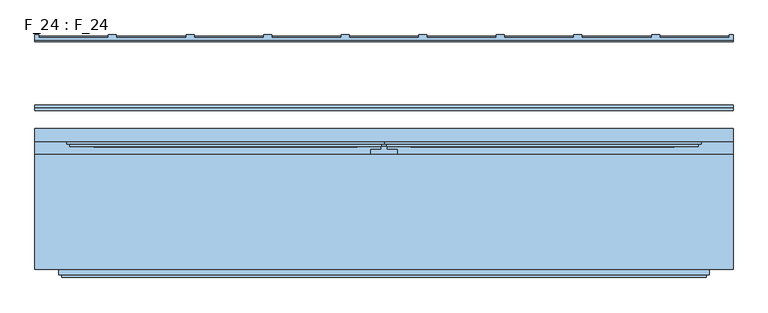
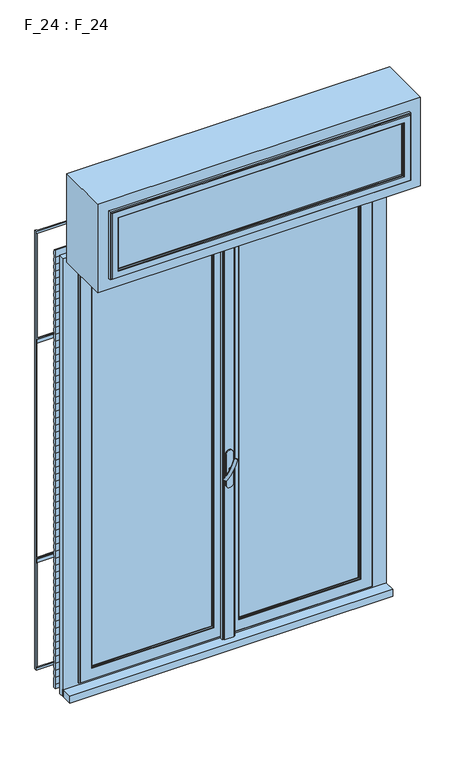
"""IFC4 building model written with IfcOpenShell, lengths in millimetres: window geometry, F_24 : F_24."""

from ifc_helpers import new_model, si_unit, point, frame, frame_2d, origin, place, context, project, spatial, polyline, circle_curve, ellipse_curve, trimmed, segment, composite_curve, outline, extrude, faceted_brep, source, transform, mapped, element, save
from ifc_brep_helpers import plane_surface, revolved_surface, advanced_brep


def f_24_f_24_b7505b68(model_context):
    return source(origin(), model_context, "Body", "SolidModel", [
        faceted_brep([(575.0, -271.0, 2770.0), (575.0, -271.0, 2990.0), (-575.0, -271.0, 2990.0), (-575.0, -271.0, 2770.0), (610.0, -266.0, 3025.0), (610.0, -266.0, 2735.0), (-610.0, -266.0, 2735.0), (-610.0, -266.0, 3025.0), (610.0, -276.0, 3025.0), (610.0, -276.0, 2735.0), (575.0, -276.0, 2770.0), (575.0, -276.0, 2990.0), (580.0, -281.0, 2995.0), (580.0, -276.0, 2995.0), (580.0, -276.0, 2765.0), (580.0, -281.0, 2765.0), (605.0, -276.0, 3020.0), (605.0, -281.0, 3020.0), (605.0, -281.0, 2740.0), (605.0, -276.0, 2740.0), (-610.0, -276.0, 2735.0), (-575.0, -276.0, 2770.0), (-580.0, -276.0, 2765.0), (-580.0, -281.0, 2765.0), (-605.0, -281.0, 2740.0), (-605.0, -276.0, 2740.0), (-610.0, -276.0, 3025.0), (-575.0, -276.0, 2990.0), (-580.0, -276.0, 2995.0), (-580.0, -281.0, 2995.0), (-605.0, -281.0, 3020.0), (-605.0, -276.0, 3020.0)], [[[0, 1, 2, 3]], [[4, 5, 6, 7]], [[4, 8, 9, 5]], [[10, 11, 1, 0]], [[12, 13, 14, 15]], [[16, 17, 18, 19]], [[5, 9, 20, 6]], [[21, 10, 0, 3]], [[15, 14, 22, 23]], [[19, 18, 24, 25]], [[6, 20, 26, 7]], [[27, 21, 3, 2]], [[23, 22, 28, 29]], [[25, 24, 30, 31]], [[8, 4, 7, 26]], [[11, 27, 2, 1]], [[14, 13, 28, 22], [11, 10, 21, 27]], [[13, 12, 29, 28]], [[18, 17, 30, 24], [12, 15, 23, 29]], [[17, 16, 31, 30]], [[9, 8, 26, 20], [16, 19, 25, 31]]]),
        extrude(outline(polyline([(655.0, -266.0), (-655.0, -266.0), (-655.0, -50.0), (655.0, -50.0), (655.0, -266.0)])), frame((0.0, 0.0, 2690.0), z_axis=(0.0, 0.0, 1.0), x_axis=(1.0, 0.0, 0.0)), (0.0, 0.0, 1.0), 380.0),
        advanced_brep(
        [(-28.5497704, -65.2287724, 1548.0503471), (-14.693364, -65.2287724, 1540.0503471), (14.693364, -65.2287724, 1622.9496529), (28.5497704, -65.2287724, 1614.9496529)],
        [
            (0, 1, ellipse_curve(frame((-21.6215672, -65.2287724, 1544.0503471), z_axis=(-0.46984631039295827, 0.3420201433256777, -0.8137976813493676), x_axis=(0.8660254037844349, 0.0, -0.5000000000000066)), 8.0, 3.5)),
            (1, 0, ellipse_curve(frame((-21.6215672, -65.2287724, 1544.0503471), z_axis=(-0.46984631039295827, 0.3420201433256777, -0.8137976813493676), x_axis=(0.8660254037844349, 0.0, -0.5000000000000066)), 8.0, 3.5)),
            (2, 3, ellipse_curve(frame((21.6215672, -65.2287724, 1618.9496529), z_axis=(0.46984631039296154, 0.3420201433256599, 0.8137976813493732), x_axis=(0.8660254037844355, 0.0, -0.5000000000000056)), 8.0, 3.5)),
            (3, 2, ellipse_curve(frame((21.6215672, -65.2287724, 1618.9496529), z_axis=(0.46984631039296154, 0.3420201433256599, 0.8137976813493732), x_axis=(0.8660254037844355, 0.0, -0.5000000000000056)), 8.0, 3.5)),
            (3, 1, circle_curve(frame((6.9282032, 53.580763, 1577.5), z_axis=(0.8660254037844353, 0.0, -0.500000000000006), x_axis=(-0.1710100716628409, -0.9396926207859051, -0.29619813272603046)), 126.4344667)),
            (0, 2, circle_curve(frame((-6.9282032, 53.580763, 1585.5), z_axis=(-0.8660254037844353, 0.0, 0.500000000000006), x_axis=(-0.1710100716628409, -0.9396926207859051, -0.29619813272603046)), 126.4344667)),
        ],
        [
            plane_surface(frame((40.0926994, -62.5471681, 1509.5466142), z_axis=(-0.4698463103929582, 0.34202014332567776, -0.8137976813493677), x_axis=(-0.8660254037844352, 0.0, 0.500000000000006))),
            plane_surface(frame((82.3598097, -62.5471681, 1582.7553967), z_axis=(0.4698463103929615, 0.34202014332565983, 0.8137976813493734), x_axis=(-0.8660254037844352, 0.0, 0.500000000000006))),
            revolved_surface(trimmed(ellipse_curve(frame((-21.6215672, -65.2287724, 1544.0503471), z_axis=(-0.46984631039295827, 0.3420201433256777, -0.8137976813493676), x_axis=(0.8660254037844349, 0.0, -0.5000000000000066)), 8.0, 3.5), [point((-28.5497704, -65.2287724, 1548.0503471))], [point((-14.693364, -65.2287724, 1540.0503471))], True, "CARTESIAN"), (61.2262546, 53.580763, 1546.1510055), (-0.8660254037844353, 0.0, 0.500000000000006)),
            revolved_surface(trimmed(ellipse_curve(frame((-21.6215672, -65.2287724, 1544.0503471), z_axis=(-0.46984631039295827, 0.3420201433256777, -0.8137976813493676), x_axis=(0.8660254037844349, 0.0, -0.5000000000000066)), 8.0, 3.5), [point((-14.693364, -65.2287724, 1540.0503471))], [point((-28.5497704, -65.2287724, 1548.0503471))], True, "CARTESIAN"), (61.2262546, 53.580763, 1546.1510055), (-0.8660254037844353, 0.0, 0.500000000000006)),
        ],
        [
            (0, [[1, 2]]),
            (1, [[3, 4]]),
            (2, [[5, -1, 6, -4]]),
            (3, [[-6, -2, -5, -3]]),
        ],
    ),
        extrude(outline(composite_curve([segment(trimmed(circle_curve(frame_2d((1581.5, 0.0)), 3.5), [point((1581.5, -3.5))], [point((1581.5, 3.5))], False, "CARTESIAN"), True, "CONTINUOUS"), segment(trimmed(circle_curve(frame_2d((1581.5, 0.0)), 3.5), [point((1581.5, 3.5))], [point((1581.5, -3.5))], False, "CARTESIAN"), True, "CONTINUOUS")], self_intersect=False)), frame((0.0, -70.0, 0.0), z_axis=(0.0, 1.0, 0.0), x_axis=(0.0, 0.0, 1.0)), (0.0, 0.0, 1.0), 10.0),
        extrude(outline(composite_curve([segment(polyline([(1645.8020109, -15.0), (1515.8020109, -15.0)]), True, "CONTINUOUS"), segment(trimmed(circle_curve(frame_2d((1515.8020109, 0.0)), 15.0), [point((1515.8020109, -15.0))], [point((1515.8020109, 15.0))], False, "CARTESIAN"), True, "CONTINUOUS"), segment(polyline([(1515.8020109, 15.0), (1645.8020109, 15.0)]), True, "CONTINUOUS"), segment(trimmed(circle_curve(frame_2d((1645.8020109, 0.0)), 15.0), [point((1645.8020109, 15.0))], [point((1645.8020109, -15.0))], False, "CARTESIAN"), True, "CONTINUOUS")], self_intersect=False)), frame((0.0, -60.0, 0.0), z_axis=(0.0, 1.0, 0.0), x_axis=(0.0, 0.0, 1.0)), (0.0, 0.0, 1.0), 5.0),
        extrude(outline(polyline([(655.0, -70.0), (-655.0, -70.0), (-655.0, -20.0), (655.0, -20.0), (655.0, -70.0)])), frame((0.0, 0.0, 810.0), z_axis=(0.0, 0.0, 1.0), x_axis=(1.0, 0.0, 0.0)), (0.0, 0.0, 1.0), 30.0),
        extrude(outline(composite_curve([segment(polyline([(33.1028753, 2690.0), (38.1028753, 2690.0)]), True, "CONTINUOUS"), segment(trimmed(circle_curve(frame_2d((18.319288, 2675.0)), 24.8272094), [point((38.1028753, 2690.0))], [point((38.1028753, 2660.0))], False, "CARTESIAN"), True, "CONTINUOUS"), segment(trimmed(circle_curve(frame_2d((18.319288, 2645.0)), 24.8272094), [point((38.1028753, 2660.0))], [point((38.1028753, 2630.0))], False, "CARTESIAN"), True, "CONTINUOUS"), segment(trimmed(circle_curve(frame_2d((18.319288, 2615.0)), 24.8272094), [point((38.1028753, 2630.0))], [point((38.1028753, 2600.0))], False, "CARTESIAN"), True, "CONTINUOUS"), segment(trimmed(circle_curve(frame_2d((18.319288, 2585.0)), 24.8272094), [point((38.1028753, 2600.0))], [point((38.1028753, 2570.0))], False, "CARTESIAN"), True, "CONTINUOUS"), segment(trimmed(circle_curve(frame_2d((18.319288, 2555.0)), 24.8272094), [point((38.1028753, 2570.0))], [point((38.1028753, 2540.0))], False, "CARTESIAN"), True, "CONTINUOUS"), segment(trimmed(circle_curve(frame_2d((18.319288, 2525.0)), 24.8272094), [point((38.1028753, 2540.0))], [point((38.1028753, 2510.0))], False, "CARTESIAN"), True, "CONTINUOUS"), segment(trimmed(circle_curve(frame_2d((18.319288, 2495.0)), 24.8272094), [point((38.1028753, 2510.0))], [point((38.1028753, 2480.0))], False, "CARTESIAN"), True, "CONTINUOUS"), segment(trimmed(circle_curve(frame_2d((18.319288, 2465.0)), 24.8272094), [point((38.1028753, 2480.0))], [point((38.1028753, 2450.0))], False, "CARTESIAN"), True, "CONTINUOUS"), segment(trimmed(circle_curve(frame_2d((18.319288, 2435.0)), 24.8272094), [point((38.1028753, 2450.0))], [point((38.1028753, 2420.0))], False, "CARTESIAN"), True, "CONTINUOUS"), segment(trimmed(circle_curve(frame_2d((18.319288, 2405.0)), 24.8272094), [point((38.1028753, 2420.0))], [point((38.1028753, 2390.0))], False, "CARTESIAN"), True, "CONTINUOUS"), segment(trimmed(circle_curve(frame_2d((18.319288, 2375.0)), 24.8272094), [point((38.1028753, 2390.0))], [point((38.1028753, 2360.0))], False, "CARTESIAN"), True, "CONTINUOUS"), segment(trimmed(circle_curve(frame_2d((18.319288, 2345.0)), 24.8272094), [point((38.1028753, 2360.0))], [point((38.1028753, 2330.0))], False, "CARTESIAN"), True, "CONTINUOUS"), segment(trimmed(circle_curve(frame_2d((18.319288, 2315.0)), 24.8272094), [point((38.1028753, 2330.0))], [point((38.1028753, 2300.0))], False, "CARTESIAN"), True, "CONTINUOUS"), segment(trimmed(circle_curve(frame_2d((18.319288, 2285.0)), 24.8272094), [point((38.1028753, 2300.0))], [point((38.1028753, 2270.0))], False, "CARTESIAN"), True, "CONTINUOUS"), segment(trimmed(circle_curve(frame_2d((18.319288, 2255.0)), 24.8272094), [point((38.1028753, 2270.0))], [point((38.1028753, 2240.0))], False, "CARTESIAN"), True, "CONTINUOUS"), segment(trimmed(circle_curve(frame_2d((18.319288, 2225.0)), 24.8272094), [point((38.1028753, 2240.0))], [point((38.1028753, 2210.0))], False, "CARTESIAN"), True, "CONTINUOUS"), segment(trimmed(circle_curve(frame_2d((18.319288, 2195.0)), 24.8272094), [point((38.1028753, 2210.0))], [point((38.1028753, 2180.0))], False, "CARTESIAN"), True, "CONTINUOUS"), segment(trimmed(circle_curve(frame_2d((18.319288, 2165.0)), 24.8272094), [point((38.1028753, 2180.0))], [point((38.1028753, 2150.0))], False, "CARTESIAN"), True, "CONTINUOUS"), segment(trimmed(circle_curve(frame_2d((18.319288, 2135.0)), 24.8272094), [point((38.1028753, 2150.0))], [point((38.1028753, 2120.0))], False, "CARTESIAN"), True, "CONTINUOUS"), segment(trimmed(circle_curve(frame_2d((18.319288, 2105.0)), 24.8272094), [point((38.1028753, 2120.0))], [point((38.1028753, 2090.0))], False, "CARTESIAN"), True, "CONTINUOUS"), segment(trimmed(circle_curve(frame_2d((18.319288, 2075.0)), 24.8272094), [point((38.1028753, 2090.0))], [point((38.1028753, 2060.0))], False, "CARTESIAN"), True, "CONTINUOUS"), segment(trimmed(circle_curve(frame_2d((18.319288, 2045.0)), 24.8272094), [point((38.1028753, 2060.0))], [point((38.1028753, 2030.0))], False, "CARTESIAN"), True, "CONTINUOUS"), segment(trimmed(circle_curve(frame_2d((18.319288, 2015.0)), 24.8272094), [point((38.1028753, 2030.0))], [point((38.1028753, 2000.0))], False, "CARTESIAN"), True, "CONTINUOUS"), segment(trimmed(circle_curve(frame_2d((18.319288, 1985.0)), 24.8272094), [point((38.1028753, 2000.0))], [point((38.1028753, 1970.0))], False, "CARTESIAN"), True, "CONTINUOUS"), segment(trimmed(circle_curve(frame_2d((18.319288, 1955.0)), 24.8272094), [point((38.1028753, 1970.0))], [point((38.1028753, 1940.0))], False, "CARTESIAN"), True, "CONTINUOUS"), segment(trimmed(circle_curve(frame_2d((18.319288, 1925.0)), 24.8272094), [point((38.1028753, 1940.0))], [point((38.1028753, 1910.0))], False, "CARTESIAN"), True, "CONTINUOUS"), segment(trimmed(circle_curve(frame_2d((18.319288, 1895.0)), 24.8272094), [point((38.1028753, 1910.0))], [point((38.1028753, 1880.0))], False, "CARTESIAN"), True, "CONTINUOUS"), segment(trimmed(circle_curve(frame_2d((18.319288, 1865.0)), 24.8272094), [point((38.1028753, 1880.0))], [point((38.1028753, 1850.0))], False, "CARTESIAN"), True, "CONTINUOUS"), segment(trimmed(circle_curve(frame_2d((18.319288, 1835.0)), 24.8272094), [point((38.1028753, 1850.0))], [point((38.1028753, 1820.0))], False, "CARTESIAN"), True, "CONTINUOUS"), segment(trimmed(circle_curve(frame_2d((18.319288, 1805.0)), 24.8272094), [point((38.1028753, 1820.0))], [point((38.1028753, 1790.0))], False, "CARTESIAN"), True, "CONTINUOUS"), segment(trimmed(circle_curve(frame_2d((18.319288, 1775.0)), 24.8272094), [point((38.1028753, 1790.0))], [point((38.1028753, 1760.0))], False, "CARTESIAN"), True, "CONTINUOUS"), segment(trimmed(circle_curve(frame_2d((18.319288, 1745.0)), 24.8272094), [point((38.1028753, 1760.0))], [point((38.1028753, 1730.0))], False, "CARTESIAN"), True, "CONTINUOUS"), segment(trimmed(circle_curve(frame_2d((18.319288, 1715.0)), 24.8272094), [point((38.1028753, 1730.0))], [point((38.1028753, 1700.0))], False, "CARTESIAN"), True, "CONTINUOUS"), segment(trimmed(circle_curve(frame_2d((18.319288, 1685.0)), 24.8272094), [point((38.1028753, 1700.0))], [point((38.1028753, 1670.0))], False, "CARTESIAN"), True, "CONTINUOUS"), segment(trimmed(circle_curve(frame_2d((18.319288, 1655.0)), 24.8272094), [point((38.1028753, 1670.0))], [point((38.1028753, 1640.0))], False, "CARTESIAN"), True, "CONTINUOUS"), segment(trimmed(circle_curve(frame_2d((18.319288, 1625.0)), 24.8272094), [point((38.1028753, 1640.0))], [point((38.1028753, 1610.0))], False, "CARTESIAN"), True, "CONTINUOUS"), segment(trimmed(circle_curve(frame_2d((18.319288, 1595.0)), 24.8272094), [point((38.1028753, 1610.0))], [point((38.1028753, 1580.0))], False, "CARTESIAN"), True, "CONTINUOUS"), segment(trimmed(circle_curve(frame_2d((18.319288, 1565.0)), 24.8272094), [point((38.1028753, 1580.0))], [point((38.1028753, 1550.0))], False, "CARTESIAN"), True, "CONTINUOUS"), segment(trimmed(circle_curve(frame_2d((18.319288, 1535.0)), 24.8272094), [point((38.1028753, 1550.0))], [point((38.1028753, 1520.0))], False, "CARTESIAN"), True, "CONTINUOUS"), segment(trimmed(circle_curve(frame_2d((18.319288, 1505.0)), 24.8272094), [point((38.1028753, 1520.0))], [point((38.1028753, 1490.0))], False, "CARTESIAN"), True, "CONTINUOUS"), segment(trimmed(circle_curve(frame_2d((18.319288, 1475.0)), 24.8272094), [point((38.1028753, 1490.0))], [point((38.1028753, 1460.0))], False, "CARTESIAN"), True, "CONTINUOUS"), segment(trimmed(circle_curve(frame_2d((18.319288, 1445.0)), 24.8272094), [point((38.1028753, 1460.0))], [point((38.1028753, 1430.0))], False, "CARTESIAN"), True, "CONTINUOUS"), segment(trimmed(circle_curve(frame_2d((18.319288, 1415.0)), 24.8272094), [point((38.1028753, 1430.0))], [point((38.1028753, 1400.0))], False, "CARTESIAN"), True, "CONTINUOUS"), segment(trimmed(circle_curve(frame_2d((18.319288, 1385.0)), 24.8272094), [point((38.1028753, 1400.0))], [point((38.1028753, 1370.0))], False, "CARTESIAN"), True, "CONTINUOUS"), segment(trimmed(circle_curve(frame_2d((18.319288, 1355.0)), 24.8272094), [point((38.1028753, 1370.0))], [point((38.1028753, 1340.0))], False, "CARTESIAN"), True, "CONTINUOUS"), segment(trimmed(circle_curve(frame_2d((18.319288, 1325.0)), 24.8272094), [point((38.1028753, 1340.0))], [point((38.1028753, 1310.0))], False, "CARTESIAN"), True, "CONTINUOUS"), segment(trimmed(circle_curve(frame_2d((18.319288, 1295.0)), 24.8272094), [point((38.1028753, 1310.0))], [point((38.1028753, 1280.0))], False, "CARTESIAN"), True, "CONTINUOUS"), segment(trimmed(circle_curve(frame_2d((18.319288, 1265.0)), 24.8272094), [point((38.1028753, 1280.0))], [point((38.1028753, 1250.0))], False, "CARTESIAN"), True, "CONTINUOUS"), segment(trimmed(circle_curve(frame_2d((18.319288, 1235.0)), 24.8272094), [point((38.1028753, 1250.0))], [point((38.1028753, 1220.0))], False, "CARTESIAN"), True, "CONTINUOUS"), segment(trimmed(circle_curve(frame_2d((18.319288, 1205.0)), 24.8272094), [point((38.1028753, 1220.0))], [point((38.1028753, 1190.0))], False, "CARTESIAN"), True, "CONTINUOUS"), segment(trimmed(circle_curve(frame_2d((18.319288, 1175.0)), 24.8272094), [point((38.1028753, 1190.0))], [point((38.1028753, 1160.0))], False, "CARTESIAN"), True, "CONTINUOUS"), segment(trimmed(circle_curve(frame_2d((18.319288, 1145.0)), 24.8272094), [point((38.1028753, 1160.0))], [point((38.1028753, 1130.0))], False, "CARTESIAN"), True, "CONTINUOUS"), segment(trimmed(circle_curve(frame_2d((18.319288, 1115.0)), 24.8272094), [point((38.1028753, 1130.0))], [point((38.1028753, 1100.0))], False, "CARTESIAN"), True, "CONTINUOUS"), segment(trimmed(circle_curve(frame_2d((18.319288, 1085.0)), 24.8272094), [point((38.1028753, 1100.0))], [point((38.1028753, 1070.0))], False, "CARTESIAN"), True, "CONTINUOUS"), segment(trimmed(circle_curve(frame_2d((18.319288, 1055.0)), 24.8272094), [point((38.1028753, 1070.0))], [point((38.1028753, 1040.0))], False, "CARTESIAN"), True, "CONTINUOUS"), segment(trimmed(circle_curve(frame_2d((18.319288, 1025.0)), 24.8272094), [point((38.1028753, 1040.0))], [point((38.1028753, 1010.0))], False, "CARTESIAN"), True, "CONTINUOUS"), segment(trimmed(circle_curve(frame_2d((18.319288, 995.0)), 24.8272094), [point((38.1028753, 1010.0))], [point((38.1028753, 980.0))], False, "CARTESIAN"), True, "CONTINUOUS"), segment(trimmed(circle_curve(frame_2d((18.319288, 965.0)), 24.8272094), [point((38.1028753, 980.0))], [point((38.1028753, 950.0))], False, "CARTESIAN"), True, "CONTINUOUS"), segment(trimmed(circle_curve(frame_2d((18.319288, 935.0)), 24.8272094), [point((38.1028753, 950.0))], [point((38.1028753, 920.0))], False, "CARTESIAN"), True, "CONTINUOUS"), segment(trimmed(circle_curve(frame_2d((18.319288, 905.0)), 24.8272094), [point((38.1028753, 920.0))], [point((38.1028753, 890.0))], False, "CARTESIAN"), True, "CONTINUOUS"), segment(trimmed(circle_curve(frame_2d((18.319288, 875.0)), 24.8272094), [point((38.1028753, 890.0))], [point((38.1028753, 860.0))], False, "CARTESIAN"), True, "CONTINUOUS"), segment(trimmed(circle_curve(frame_2d((18.319288, 845.0)), 24.8272094), [point((38.1028753, 860.0))], [point((43.1028753, 846.4710973))], False, "CARTESIAN"), True, "CONTINUOUS"), segment(polyline([(43.1028753, 846.4710973), (43.1028753, 810.0), (33.1028753, 810.0), (33.1028753, 830.0), (33.1028753, 860.0), (33.1028753, 890.0), (33.1028753, 920.0), (33.1028753, 950.0), (33.1028753, 980.0), (33.1028753, 1010.0), (33.1028753, 1040.0), (33.1028753, 1070.0), (33.1028753, 1100.0), (33.1028753, 1130.0), (33.1028753, 1160.0), (33.1028753, 1190.0), (33.1028753, 1220.0), (33.1028753, 1250.0), (33.1028753, 1280.0), (33.1028753, 1310.0), (33.1028753, 1340.0), (33.1028753, 1370.0), (33.1028753, 1400.0), (33.1028753, 1430.0), (33.1028753, 1460.0), (33.1028753, 1490.0), (33.1028753, 1520.0), (33.1028753, 1550.0), (33.1028753, 1580.0), (33.1028753, 1610.0), (33.1028753, 1640.0), (33.1028753, 1670.0), (33.1028753, 1700.0), (33.1028753, 1730.0), (33.1028753, 1760.0), (33.1028753, 1790.0), (33.1028753, 1820.0), (33.1028753, 1850.0), (33.1028753, 1880.0), (33.1028753, 1910.0), (33.1028753, 1940.0), (33.1028753, 1970.0), (33.1028753, 2000.0), (33.1028753, 2030.0), (33.1028753, 2060.0), (33.1028753, 2090.0), (33.1028753, 2120.0), (33.1028753, 2150.0), (33.1028753, 2180.0), (33.1028753, 2210.0), (33.1028753, 2240.0), (33.1028753, 2270.0), (33.1028753, 2300.0), (33.1028753, 2330.0), (33.1028753, 2360.0), (33.1028753, 2390.0), (33.1028753, 2420.0), (33.1028753, 2450.0), (33.1028753, 2480.0), (33.1028753, 2510.0), (33.1028753, 2540.0), (33.1028753, 2570.0), (33.1028753, 2600.0), (33.1028753, 2630.0), (33.1028753, 2660.0), (33.1028753, 2690.0)]), True, "CONTINUOUS")], self_intersect=False)), frame((-655.0, 0.0, 0.0), z_axis=(1.0, 0.0, 0.0), x_axis=(0.0, 1.0, 0.0)), (0.0, 0.0, 1.0), 1310.0),
        faceted_brep([(-655.0, 162.5, 1287.5), (-655.0, 165.0, 1287.5), (-655.0, 165.0, 1272.5), (-655.0, 162.5, 1272.5), (655.0, 165.0, 1272.5), (655.0, 162.5, 1272.5), (655.0, 162.5, 1287.5), (655.0, 165.0, 1287.5)], [[[0, 1, 2, 3]], [[3, 2, 4, 5]], [[0, 3, 5, 6]], [[1, 0, 6, 7]], [[6, 5, 4, 7]], [[2, 1, 7, 4]]]),
        faceted_brep([(-655.0, 162.5, 2227.5), (-655.0, 165.0, 2227.5), (-655.0, 165.0, 2212.5), (-655.0, 162.5, 2212.5), (655.0, 165.0, 2212.5), (655.0, 162.5, 2212.5), (655.0, 162.5, 2227.5), (655.0, 165.0, 2227.5)], [[[0, 1, 2, 3]], [[3, 2, 4, 5]], [[0, 3, 5, 6]], [[1, 0, 6, 7]], [[6, 5, 4, 7]], [[2, 1, 7, 4]]]),
        faceted_brep([(-655.0, 170.0, 2682.5), (-655.0, 165.0, 2682.5), (-655.0, 165.0, 2690.0), (-655.0, 175.0, 2690.0), (-655.0, 175.0, 810.0), (-655.0, 165.0, 810.0), (-655.0, 165.0, 817.5), (-655.0, 170.0, 817.5), (-371.3888889, 172.5, 2227.5), (-501.9444444, 172.5, 2227.5), (-501.9444444, 170.0, 2227.5), (-371.3888889, 170.0, 2227.5), (-225.8333333, 172.5, 2227.5), (-356.3888889, 172.5, 2227.5), (-356.3888889, 170.0, 2227.5), (-225.8333333, 170.0, 2227.5), (-80.2777778, 172.5, 2227.5), (-210.8333333, 172.5, 2227.5), (-210.8333333, 170.0, 2227.5), (-80.2777778, 170.0, 2227.5), (65.2777778, 172.5, 2227.5), (-65.2777778, 172.5, 2227.5), (-65.2777778, 170.0, 2227.5), (65.2777778, 170.0, 2227.5), (210.8333333, 172.5, 2227.5), (80.2777778, 172.5, 2227.5), (80.2777778, 170.0, 2227.5), (210.8333333, 170.0, 2227.5), (356.3888889, 172.5, 2227.5), (225.8333333, 172.5, 2227.5), (225.8333333, 170.0, 2227.5), (356.3888889, 170.0, 2227.5), (501.9444444, 172.5, 2227.5), (371.3888889, 172.5, 2227.5), (371.3888889, 170.0, 2227.5), (501.9444444, 170.0, 2227.5), (647.5, 172.5, 2227.5), (516.9444444, 172.5, 2227.5), (516.9444444, 170.0, 2227.5), (647.5, 170.0, 2227.5), (-516.9444444, 172.5, 2227.5), (-647.5, 172.5, 2227.5), (-647.5, 170.0, 2227.5), (-516.9444444, 170.0, 2227.5), (-371.3888889, 172.5, 2212.5), (-501.9444444, 172.5, 2212.5), (-225.8333333, 172.5, 2212.5), (-356.3888889, 172.5, 2212.5), (-80.2777778, 172.5, 2212.5), (-210.8333333, 172.5, 2212.5), (65.2777778, 172.5, 2212.5), (-65.2777778, 172.5, 2212.5), (210.8333333, 172.5, 2212.5), (80.2777778, 172.5, 2212.5), (356.3888889, 172.5, 2212.5), (225.8333333, 172.5, 2212.5), (501.9444444, 172.5, 2212.5), (371.3888889, 172.5, 2212.5), (647.5, 172.5, 2212.5), (516.9444444, 172.5, 2212.5), (-516.9444444, 172.5, 2212.5), (-647.5, 172.5, 2212.5), (-371.3888889, 170.0, 2212.5), (-501.9444444, 170.0, 2212.5), (-225.8333333, 170.0, 2212.5), (-356.3888889, 170.0, 2212.5), (-80.2777778, 170.0, 2212.5), (-210.8333333, 170.0, 2212.5), (65.2777778, 170.0, 2212.5), (-65.2777778, 170.0, 2212.5), (210.8333333, 170.0, 2212.5), (80.2777778, 170.0, 2212.5), (356.3888889, 170.0, 2212.5), (225.8333333, 170.0, 2212.5), (501.9444444, 170.0, 2212.5), (371.3888889, 170.0, 2212.5), (647.5, 170.0, 2212.5), (516.9444444, 170.0, 2212.5), (-516.9444444, 170.0, 2212.5), (-647.5, 170.0, 2212.5), (516.9444444, 170.0, 2690.0), (647.5, 170.0, 2690.0), (647.5, 170.0, 2682.5), (516.9444444, 170.0, 2682.5), (371.3888889, 170.0, 2690.0), (501.9444444, 170.0, 2690.0), (501.9444444, 170.0, 2682.5), (371.3888889, 170.0, 2682.5), (225.8333333, 170.0, 2690.0), (356.3888889, 170.0, 2690.0), (356.3888889, 170.0, 2682.5), (225.8333333, 170.0, 2682.5), (80.2777778, 170.0, 2690.0), (210.8333333, 170.0, 2690.0), (210.8333333, 170.0, 2682.5), (80.2777778, 170.0, 2682.5), (-65.2777778, 170.0, 2690.0), (65.2777778, 170.0, 2690.0), (65.2777778, 170.0, 2682.5), (-65.2777778, 170.0, 2682.5), (-210.8333333, 170.0, 2690.0), (-80.2777778, 170.0, 2690.0), (-80.2777778, 170.0, 2682.5), (-210.8333333, 170.0, 2682.5), (-356.3888889, 170.0, 2690.0), (-225.8333333, 170.0, 2690.0), (-225.8333333, 170.0, 2682.5), (-356.3888889, 170.0, 2682.5), (-501.9444444, 170.0, 2690.0), (-371.3888889, 170.0, 2690.0), (-371.3888889, 170.0, 2682.5), (-501.9444444, 170.0, 2682.5), (-647.5, 170.0, 2690.0), (-516.9444444, 170.0, 2690.0), (-516.9444444, 170.0, 2682.5), (-647.5, 170.0, 2682.5), (-371.3888889, 172.5, 1287.5), (-501.9444444, 172.5, 1287.5), (-501.9444444, 170.0, 1287.5), (-371.3888889, 170.0, 1287.5), (-225.8333333, 172.5, 1287.5), (-356.3888889, 172.5, 1287.5), (-356.3888889, 170.0, 1287.5), (-225.8333333, 170.0, 1287.5), (-80.2777778, 172.5, 1287.5), (-210.8333333, 172.5, 1287.5), (-210.8333333, 170.0, 1287.5), (-80.2777778, 170.0, 1287.5), (65.2777778, 172.5, 1287.5), (-65.2777778, 172.5, 1287.5), (-65.2777778, 170.0, 1287.5), (65.2777778, 170.0, 1287.5), (210.8333333, 172.5, 1287.5), (80.2777778, 172.5, 1287.5), (80.2777778, 170.0, 1287.5), (210.8333333, 170.0, 1287.5), (356.3888889, 172.5, 1287.5), (225.8333333, 172.5, 1287.5), (225.8333333, 170.0, 1287.5), (356.3888889, 170.0, 1287.5), (501.9444444, 172.5, 1287.5), (371.3888889, 172.5, 1287.5), (371.3888889, 170.0, 1287.5), (501.9444444, 170.0, 1287.5), (647.5, 172.5, 1287.5), (516.9444444, 172.5, 1287.5), (516.9444444, 170.0, 1287.5), (647.5, 170.0, 1287.5), (-516.9444444, 172.5, 1287.5), (-647.5, 172.5, 1287.5), (-647.5, 170.0, 1287.5), (-516.9444444, 170.0, 1287.5), (-371.3888889, 172.5, 1272.5), (-501.9444444, 172.5, 1272.5), (-225.8333333, 172.5, 1272.5), (-356.3888889, 172.5, 1272.5), (-80.2777778, 172.5, 1272.5), (-210.8333333, 172.5, 1272.5), (65.2777778, 172.5, 1272.5), (-65.2777778, 172.5, 1272.5), (210.8333333, 172.5, 1272.5), (80.2777778, 172.5, 1272.5), (356.3888889, 172.5, 1272.5), (225.8333333, 172.5, 1272.5), (501.9444444, 172.5, 1272.5), (371.3888889, 172.5, 1272.5), (647.5, 172.5, 1272.5), (516.9444444, 172.5, 1272.5), (-516.9444444, 172.5, 1272.5), (-647.5, 172.5, 1272.5), (-371.3888889, 170.0, 1272.5), (-501.9444444, 170.0, 1272.5), (-225.8333333, 170.0, 1272.5), (-356.3888889, 170.0, 1272.5), (-80.2777778, 170.0, 1272.5), (-210.8333333, 170.0, 1272.5), (65.2777778, 170.0, 1272.5), (-65.2777778, 170.0, 1272.5), (210.8333333, 170.0, 1272.5), (80.2777778, 170.0, 1272.5), (356.3888889, 170.0, 1272.5), (225.8333333, 170.0, 1272.5), (501.9444444, 170.0, 1272.5), (371.3888889, 170.0, 1272.5), (647.5, 170.0, 1272.5), (516.9444444, 170.0, 1272.5), (-516.9444444, 170.0, 1272.5), (-647.5, 170.0, 1272.5), (-647.5, 175.0, 810.0), (-647.5, 170.0, 810.0), (-516.9444444, 170.0, 810.0), (-516.9444444, 175.0, 810.0), (-501.9444444, 175.0, 810.0), (-501.9444444, 170.0, 810.0), (-371.3888889, 170.0, 810.0), (-371.3888889, 175.0, 810.0), (-356.3888889, 175.0, 810.0), (-356.3888889, 170.0, 810.0), (-225.8333333, 170.0, 810.0), (-225.8333333, 175.0, 810.0), (-210.8333333, 175.0, 810.0), (-210.8333333, 170.0, 810.0), (-80.2777778, 170.0, 810.0), (-80.2777778, 175.0, 810.0), (-65.2777778, 175.0, 810.0), (-65.2777778, 170.0, 810.0), (65.2777778, 170.0, 810.0), (65.2777778, 175.0, 810.0), (80.2777778, 175.0, 810.0), (80.2777778, 170.0, 810.0), (210.8333333, 170.0, 810.0), (210.8333333, 175.0, 810.0), (225.8333333, 175.0, 810.0), (225.8333333, 170.0, 810.0), (356.3888889, 170.0, 810.0), (356.3888889, 175.0, 810.0), (371.3888889, 175.0, 810.0), (371.3888889, 170.0, 810.0), (501.9444444, 170.0, 810.0), (501.9444444, 175.0, 810.0), (516.9444444, 175.0, 810.0), (516.9444444, 170.0, 810.0), (647.5, 170.0, 810.0), (647.5, 175.0, 810.0), (655.0, 175.0, 810.0), (655.0, 165.0, 810.0), (655.0, 165.0, 2682.5), (655.0, 165.0, 2690.0), (655.0, 170.0, 2682.5), (655.0, 170.0, 817.5), (655.0, 165.0, 817.5), (655.0, 175.0, 2690.0), (-647.5, 175.0, 2690.0), (-647.5, 170.0, 817.5), (647.5, 175.0, 2690.0), (647.5, 170.0, 817.5), (-516.9444444, 175.0, 2690.0), (-516.9444444, 170.0, 817.5), (-501.9444444, 175.0, 2690.0), (-501.9444444, 170.0, 817.5), (-371.3888889, 175.0, 2690.0), (-371.3888889, 170.0, 817.5), (-356.3888889, 175.0, 2690.0), (-356.3888889, 170.0, 817.5), (-225.8333333, 175.0, 2690.0), (-225.8333333, 170.0, 817.5), (-210.8333333, 175.0, 2690.0), (-210.8333333, 170.0, 817.5), (-80.2777778, 175.0, 2690.0), (-80.2777778, 170.0, 817.5), (-65.2777778, 175.0, 2690.0), (-65.2777778, 170.0, 817.5), (65.2777778, 175.0, 2690.0), (65.2777778, 170.0, 817.5), (80.2777778, 175.0, 2690.0), (80.2777778, 170.0, 817.5), (210.8333333, 175.0, 2690.0), (210.8333333, 170.0, 817.5), (225.8333333, 175.0, 2690.0), (225.8333333, 170.0, 817.5), (356.3888889, 175.0, 2690.0), (356.3888889, 170.0, 817.5), (371.3888889, 175.0, 2690.0), (371.3888889, 170.0, 817.5), (501.9444444, 175.0, 2690.0), (501.9444444, 170.0, 817.5), (516.9444444, 175.0, 2690.0), (516.9444444, 170.0, 817.5)], [[[0, 1, 2, 3, 4, 5, 6, 7]], [[8, 9, 10, 11]], [[12, 13, 14, 15]], [[16, 17, 18, 19]], [[20, 21, 22, 23]], [[24, 25, 26, 27]], [[28, 29, 30, 31]], [[32, 33, 34, 35]], [[36, 37, 38, 39]], [[40, 41, 42, 43]], [[9, 8, 44, 45]], [[13, 12, 46, 47]], [[17, 16, 48, 49]], [[21, 20, 50, 51]], [[25, 24, 52, 53]], [[29, 28, 54, 55]], [[33, 32, 56, 57]], [[37, 36, 58, 59]], [[41, 40, 60, 61]], [[45, 44, 62, 63]], [[47, 46, 64, 65]], [[49, 48, 66, 67]], [[51, 50, 68, 69]], [[53, 52, 70, 71]], [[55, 54, 72, 73]], [[57, 56, 74, 75]], [[59, 58, 76, 77]], [[61, 60, 78, 79]], [[80, 81, 82, 83]], [[84, 85, 86, 87]], [[88, 89, 90, 91]], [[92, 93, 94, 95]], [[96, 97, 98, 99]], [[100, 101, 102, 103]], [[104, 105, 106, 107]], [[108, 109, 110, 111]], [[112, 113, 114, 115]], [[116, 117, 118, 119]], [[120, 121, 122, 123]], [[124, 125, 126, 127]], [[128, 129, 130, 131]], [[132, 133, 134, 135]], [[136, 137, 138, 139]], [[140, 141, 142, 143]], [[144, 145, 146, 147]], [[148, 149, 150, 151]], [[117, 116, 152, 153]], [[121, 120, 154, 155]], [[125, 124, 156, 157]], [[129, 128, 158, 159]], [[133, 132, 160, 161]], [[137, 136, 162, 163]], [[141, 140, 164, 165]], [[145, 144, 166, 167]], [[149, 148, 168, 169]], [[153, 152, 170, 171]], [[155, 154, 172, 173]], [[157, 156, 174, 175]], [[159, 158, 176, 177]], [[161, 160, 178, 179]], [[163, 162, 180, 181]], [[165, 164, 182, 183]], [[167, 166, 184, 185]], [[169, 168, 186, 187]], [[5, 4, 188, 189, 190, 191, 192, 193, 194, 195, 196, 197, 198, 199, 200, 201, 202, 203, 204, 205, 206, 207, 208, 209, 210, 211, 212, 213, 214, 215, 216, 217, 218, 219, 220, 221, 222, 223, 224, 225]], [[2, 1, 226, 227]], [[227, 226, 228, 229, 230, 225, 224, 231]], [[232, 112, 115, 42, 41, 61, 79, 150, 149, 169, 187, 233, 189, 188]], [[81, 234, 223, 222, 235, 184, 166, 144, 147, 76, 58, 36, 39, 82]], [[113, 236, 191, 190, 237, 186, 168, 148, 151, 78, 60, 40, 43, 114]], [[238, 108, 111, 10, 9, 45, 63, 118, 117, 153, 171, 239, 193, 192]], [[109, 240, 195, 194, 241, 170, 152, 116, 119, 62, 44, 8, 11, 110]], [[242, 104, 107, 14, 13, 47, 65, 122, 121, 155, 173, 243, 197, 196]], [[105, 244, 199, 198, 245, 172, 154, 120, 123, 64, 46, 12, 15, 106]], [[246, 100, 103, 18, 17, 49, 67, 126, 125, 157, 175, 247, 201, 200]], [[101, 248, 203, 202, 249, 174, 156, 124, 127, 66, 48, 16, 19, 102]], [[250, 96, 99, 22, 21, 51, 69, 130, 129, 159, 177, 251, 205, 204]], [[97, 252, 207, 206, 253, 176, 158, 128, 131, 68, 50, 20, 23, 98]], [[254, 92, 95, 26, 25, 53, 71, 134, 133, 161, 179, 255, 209, 208]], [[93, 256, 211, 210, 257, 178, 160, 132, 135, 70, 52, 24, 27, 94]], [[258, 88, 91, 30, 29, 55, 73, 138, 137, 163, 181, 259, 213, 212]], [[89, 260, 215, 214, 261, 180, 162, 136, 139, 72, 54, 28, 31, 90]], [[262, 84, 87, 34, 33, 57, 75, 142, 141, 165, 183, 263, 217, 216]], [[85, 264, 219, 218, 265, 182, 164, 140, 143, 74, 56, 32, 35, 86]], [[266, 80, 83, 38, 37, 59, 77, 146, 145, 167, 185, 267, 221, 220]], [[7, 6, 230, 229, 235, 267, 265, 263, 261, 259, 257, 255, 253, 251, 249, 247, 245, 243, 241, 239, 237, 233]], [[0, 7, 233, 187, 186, 237, 239, 171, 170, 241, 243, 173, 172, 245, 247, 175, 174, 249, 251, 177, 176, 253, 255, 179, 178, 257, 259, 181, 180, 261, 263, 183, 182, 265, 267, 185, 184, 235, 229, 228, 82, 39, 38, 83, 86, 35, 34, 87, 90, 31, 30, 91, 94, 27, 26, 95, 98, 23, 22, 99, 102, 19, 18, 103, 106, 15, 14, 107, 110, 11, 10, 111, 114, 43, 42, 115], [78, 151, 150, 79], [62, 119, 118, 63], [64, 123, 122, 65], [66, 127, 126, 67], [68, 131, 130, 69], [70, 135, 134, 71], [72, 139, 138, 73], [74, 143, 142, 75], [76, 147, 146, 77]], [[3, 2, 227, 231, 234, 81, 80, 266, 264, 85, 84, 262, 260, 89, 88, 258, 256, 93, 92, 254, 252, 97, 96, 250, 248, 101, 100, 246, 244, 105, 104, 242, 240, 109, 108, 238, 236, 113, 112, 232]], [[1, 0, 115, 114, 111, 110, 107, 106, 103, 102, 99, 98, 95, 94, 91, 90, 87, 86, 83, 82, 228, 226]], [[3, 232, 188, 4]], [[6, 5, 225, 230]], [[234, 231, 224, 223]], [[190, 189, 233, 237]], [[194, 193, 239, 241]], [[198, 197, 243, 245]], [[202, 201, 247, 249]], [[206, 205, 251, 253]], [[210, 209, 255, 257]], [[214, 213, 259, 261]], [[218, 217, 263, 265]], [[222, 221, 267, 235]], [[236, 238, 192, 191]], [[240, 242, 196, 195]], [[244, 246, 200, 199]], [[248, 250, 204, 203]], [[252, 254, 208, 207]], [[256, 258, 212, 211]], [[260, 262, 216, 215]], [[264, 266, 220, 219]]]),
        faceted_brep([(0.0, -20.0, 850.0), (0.0, -30.0, 850.0), (-595.0, -30.0, 850.0), (-595.0, -20.0, 850.0), (0.0, -20.0, 2640.0), (0.0, -30.0, 2640.0), (-595.0, -30.0, 2640.0), (-5.0, -30.0, 2635.0), (-5.0, -30.0, 855.0), (-590.0, -30.0, 855.0), (-590.0, -30.0, 2635.0), (-595.0, -20.0, 2640.0), (-10.0, -20.0, 2630.0), (-585.0, -20.0, 2630.0), (-585.0, -20.0, 860.0), (-10.0, -20.0, 860.0), (-10.0, -15.0, 860.0), (-585.0, -15.0, 860.0), (-585.0, -15.0, 2630.0), (-50.0, -20.0, 2590.0), (-50.0, -15.0, 2590.0), (-50.0, -15.0, 900.0), (-50.0, -20.0, 900.0), (-545.0, -20.0, 2590.0), (-545.0, -15.0, 2590.0), (-545.0, -20.0, 900.0), (-545.0, -15.0, 900.0), (-55.0, -20.0, 905.0), (-55.0, -20.0, 2585.0), (-540.0, -20.0, 2585.0), (-540.0, -20.0, 905.0), (-55.0, -30.0, 2585.0), (-540.0, -30.0, 2585.0), (-55.0, -30.0, 905.0), (-540.0, -30.0, 905.0), (-50.0, -30.0, 900.0), (-50.0, -30.0, 2590.0), (-545.0, -30.0, 2590.0), (-545.0, -30.0, 900.0), (-50.0, -35.0, 2590.0), (-545.0, -35.0, 2590.0), (-50.0, -35.0, 900.0), (-545.0, -35.0, 900.0), (-5.0, -35.0, 855.0), (-5.0, -35.0, 2635.0), (-590.0, -35.0, 2635.0), (-590.0, -35.0, 855.0), (-10.0, -15.0, 2630.0)], [[[0, 1, 2, 3]], [[4, 5, 1, 0]], [[1, 5, 6, 2], [7, 8, 9, 10]], [[3, 2, 6, 11]], [[0, 3, 11, 4], [12, 13, 14, 15]], [[16, 15, 14, 17]], [[17, 14, 13, 18]], [[19, 20, 21, 22]], [[20, 19, 23, 24]], [[25, 26, 24, 23]], [[22, 21, 26, 25]], [[19, 22, 25, 23], [27, 28, 29, 30]], [[28, 31, 32, 29]], [[31, 28, 27, 33]], [[33, 27, 30, 34]], [[35, 36, 37, 38], [31, 33, 34, 32]], [[36, 39, 40, 37]], [[39, 36, 35, 41]], [[41, 35, 38, 42]], [[43, 44, 45, 46], [39, 41, 42, 40]], [[7, 44, 43, 8]], [[8, 43, 46, 9]], [[34, 30, 29, 32]], [[42, 38, 37, 40]], [[9, 46, 45, 10]], [[47, 12, 15, 16]], [[12, 47, 18, 13]], [[44, 7, 10, 45]], [[5, 4, 11, 6]], [[47, 16, 17, 18], [21, 20, 24, 26]]]),
        faceted_brep([(5.0, -35.0, 850.0), (5.0, -40.0, 850.0), (25.0, -40.0, 850.0), (25.0, -50.0, 850.0), (20.0, -50.0, 850.0), (20.0, -55.0, 850.0), (-20.0, -55.0, 850.0), (-20.0, -50.0, 850.0), (-25.0, -50.0, 850.0), (-25.0, -40.0, 850.0), (-5.0, -40.0, 850.0), (-5.0, -35.0, 850.0), (5.0, -35.0, 2640.0), (5.0, -40.0, 2640.0), (5.0, -35.0, 855.0), (5.0, -35.0, 2635.0), (25.0, -40.0, 2640.0), (25.0, -50.0, 2640.0), (20.0, -50.0, 2640.0), (20.0, -55.0, 2640.0), (-20.0, -55.0, 2640.0), (-20.0, -50.0, 2640.0), (-25.0, -50.0, 2640.0), (-25.0, -40.0, 2640.0), (-5.0, -40.0, 2640.0), (-5.0, -35.0, 2640.0), (0.0, -30.0, 2640.0), (0.0, -20.0, 2640.0), (0.0, -20.0, 850.0), (0.0, -30.0, 850.0), (595.0, -20.0, 2640.0), (595.0, -20.0, 850.0), (10.0, -20.0, 850.0), (0.5, -20.0, 850.0), (10.0, -20.0, 860.0), (585.0, -20.0, 860.0), (585.0, -20.0, 2630.0), (10.0, -20.0, 2630.0), (10.0, -20.0, 2620.0), (10.0, -15.0, 860.0), (10.0, -15.0, 2630.0), (585.0, -15.0, 2630.0), (585.0, -15.0, 860.0), (50.0, -15.0, 2590.0), (50.0, -15.0, 900.0), (545.0, -15.0, 900.0), (545.0, -15.0, 2590.0), (595.0, -30.0, 850.0), (595.0, -30.0, 2640.0), (5.0, -30.0, 855.0), (5.0, -30.0, 2635.0), (590.0, -30.0, 2635.0), (590.0, -30.0, 855.0), (590.0, -35.0, 855.0), (590.0, -35.0, 2635.0), (50.0, -35.0, 900.0), (50.0, -35.0, 2590.0), (545.0, -35.0, 2590.0), (545.0, -35.0, 900.0), (50.0, -20.0, 2590.0), (545.0, -20.0, 2590.0), (50.0, -20.0, 900.0), (545.0, -20.0, 900.0), (55.0, -20.0, 2585.0), (55.0, -20.0, 905.0), (540.0, -20.0, 905.0), (540.0, -20.0, 2585.0), (55.0, -30.0, 2585.0), (540.0, -30.0, 2585.0), (55.0, -30.0, 905.0), (50.0, -30.0, 2590.0), (50.0, -30.0, 900.0), (545.0, -30.0, 900.0), (545.0, -30.0, 2590.0), (540.0, -30.0, 905.0)], [[[0, 1, 2, 3, 4, 5, 6, 7, 8, 9, 10, 11]], [[12, 13, 1, 0, 14, 15]], [[13, 16, 2, 1]], [[16, 17, 3, 2]], [[17, 18, 4, 3]], [[18, 19, 5, 4]], [[19, 20, 6, 5]], [[20, 21, 7, 6]], [[21, 22, 8, 7]], [[22, 23, 9, 8]], [[23, 24, 10, 9]], [[24, 25, 11, 10]], [[25, 12, 15, 14, 0, 11]], [[26, 27, 28, 29]], [[28, 27, 30, 31, 32, 33], [34, 35, 36, 37, 38]], [[39, 40, 41, 42], [43, 44, 45, 46]], [[47, 31, 30, 48]], [[26, 29, 47, 48], [49, 50, 51, 52]], [[14, 53, 54, 15], [55, 56, 57, 58]], [[14, 49, 52, 53]], [[59, 43, 46, 60]], [[43, 59, 61, 44]], [[61, 59, 60, 62], [63, 64, 65, 66]], [[44, 61, 62, 45]], [[67, 63, 66, 68]], [[63, 67, 69, 64]], [[70, 71, 72, 73], [69, 67, 68, 74]], [[64, 69, 74, 65]], [[56, 70, 73, 57]], [[70, 56, 55, 71]], [[71, 55, 58, 72]], [[45, 62, 60, 46]], [[65, 74, 68, 66]], [[72, 58, 57, 73]], [[53, 52, 51, 54]], [[34, 39, 42, 35]], [[35, 42, 41, 36]], [[12, 25, 24, 23, 22, 21, 20, 19, 18, 17, 16, 13]], [[50, 15, 54, 51]], [[40, 37, 36, 41]], [[37, 40, 39, 34, 38]], [[15, 50, 49, 14]], [[29, 28, 33, 32, 31, 47]], [[27, 26, 48, 30]]]),
        faceted_brep([(-655.0, -25.0, 810.0), (-655.0, -1.0, 810.0), (655.0, -1.0, 810.0), (655.0, -25.0, 810.0), (-655.0, -25.0, 2690.0), (-655.0, -1.0, 2690.0), (655.0, -1.0, 2690.0), (-575.0, -1.0, 2620.0), (-575.0, -1.0, 870.0), (575.0, -1.0, 870.0), (575.0, -1.0, 2620.0), (655.0, -25.0, 2690.0), (585.0, -25.0, 2630.0), (585.0, -25.0, 860.0), (-585.0, -25.0, 860.0), (-585.0, -25.0, 2630.0), (-575.0, -20.0, 2620.0), (-575.0, -20.0, 870.0), (575.0, -20.0, 870.0), (575.0, -20.0, 2620.0), (585.0, -20.0, 2630.0), (585.0, -20.0, 860.0), (-585.0, -20.0, 860.0), (-585.0, -20.0, 2630.0)], [[[0, 1, 2, 3]], [[4, 5, 1, 0]], [[2, 1, 5, 6], [7, 8, 9, 10]], [[2, 6, 11, 3]], [[0, 3, 11, 4], [12, 13, 14, 15]], [[7, 16, 17, 8]], [[17, 18, 9, 8]], [[19, 10, 9, 18]], [[12, 20, 21, 13]], [[14, 13, 21, 22]], [[22, 23, 15, 14]], [[20, 23, 22, 21], [16, 19, 18, 17]], [[5, 4, 11, 6]], [[19, 16, 7, 10]], [[12, 15, 23, 20]]]),
        extrude(outline(polyline([(-55.0, -27.0), (-540.0, -27.0), (-540.0, -23.0), (-55.0, -23.0), (-55.0, -27.0)])), frame((0.0, 0.0, 905.0), z_axis=(0.0, 0.0, 1.0), x_axis=(1.0, 0.0, 0.0)), (0.0, 0.0, 1.0), 1680.0),
        extrude(outline(polyline([(540.0, -27.0), (55.0, -27.0), (55.0, -23.0), (540.0, -23.0), (540.0, -27.0)])), frame((0.0, 0.0, 905.0), z_axis=(0.0, 0.0, 1.0), x_axis=(1.0, 0.0, 0.0)), (0.0, 0.0, 1.0), 1680.0),
    ])


if __name__ == "__main__":
    model = new_model("IFC4")
    model_context = context("Model", 3, world=origin())
    ifc_project = project(units=[si_unit("LENGTHUNIT", "METRE", prefix="MILLI")], contexts=[model_context])
    site = spatial("IfcSite", under=ifc_project)
    building = spatial("IfcBuilding", under=site)
    placement = place(None, origin())
    f_24_f_24_shape = f_24_f_24_b7505b68(model_context)
    element("IfcWindow", 1, ObjectType="F_24 : F_24", at=placement, inside=building, context=model_context, shape_type="MappedRepresentation", body=[
        mapped(f_24_f_24_shape, transform((0.0, 0.0, 0.0), x_axis=(1.0, 0.0, 0.0), y_axis=(0.0, 1.0, 0.0), z_axis=(0.0, 0.0, 1.0))),
    ])
    save(model, "model.ifc")
